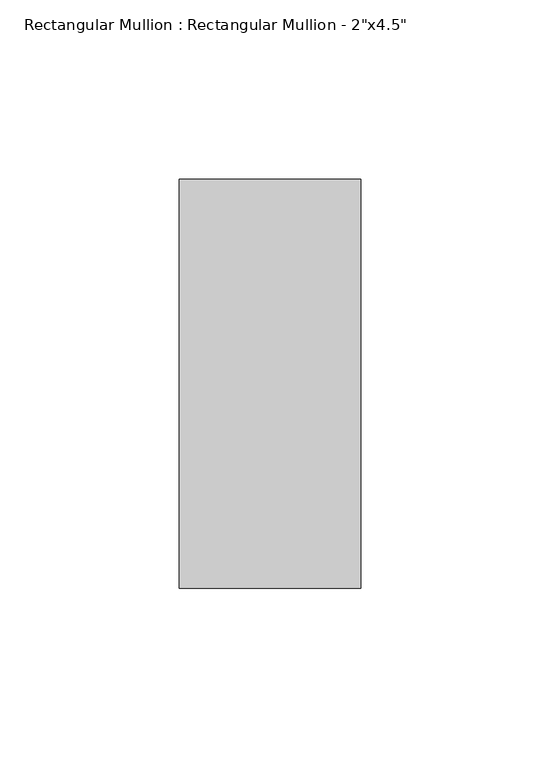
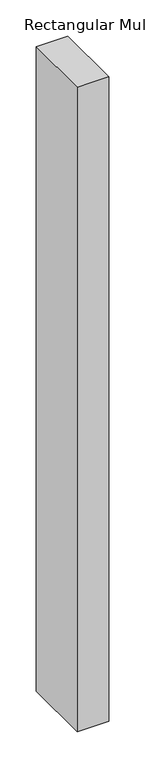
"""IFC4 building model written with IfcOpenShell, lengths in millimetres: member geometry."""

import ifcopenshell
import ifcopenshell.guid

model = None  # the IFC model being written
_history = None  # IfcOwnerHistory: only IFC2X3 demands one
_inside = {}  # id of a spatial element -> (the spatial element, [elements in it])
_under = {}  # id of a project, library or spatial element -> (it, [spatial elements below it])
_declared = {}  # id of a project -> (the project, [libraries it declares])
_typed = {}  # id of a type object -> (the type object, [elements of that type])
_made_of = {}  # id of a material, layer set ... -> (it, [elements and type objects made of it])


def new_model(schema):
    """Start an empty IFC model of exactly this schema.

    Asked for "IFC4X3", IfcOpenShell would pick the latest addendum, in which some entities
    have other attributes; the version numbers below select the first issue.
    IFC2X3 requires an IfcOwnerHistory on every rooted entity: one is made here for all.
    """
    global model, _history
    if schema == "IFC4X3":
        model = ifcopenshell.file(schema_version=(4, 3, 0, 0))
    else:
        model = ifcopenshell.file(schema=schema)
    _inside.clear()
    _under.clear()
    _declared.clear()
    _typed.clear()
    _made_of.clear()
    _history = None
    if model.schema == "IFC2X3":
        org = make("IfcOrganization", Name="unknown")
        user = make(
            "IfcPersonAndOrganization",
            ThePerson=make("IfcPerson", FamilyName="unknown"),
            TheOrganization=org,
        )
        app = make(
            "IfcApplication",
            ApplicationDeveloper=org,
            Version="unknown",
            ApplicationFullName="unknown",
            ApplicationIdentifier="unknown",
        )
        _history = make(
            "IfcOwnerHistory",
            OwningUser=user,
            OwningApplication=app,
            ChangeAction="ADDED",
            CreationDate=0,
        )
    return model


def make(cls, **values):
    """One entity of the class cls with the attributes given. An attribute that is None is left unset."""
    return model.create_entity(
        cls, **{name: value for name, value in values.items() if value is not None}
    )


def rooted(cls, **values):
    """An entity with a GlobalId (a new one), such as an element, a storey or a relation."""
    return make(cls, GlobalId=ifcopenshell.guid.new(), OwnerHistory=_history, **values)


def si_unit(unit_type, name, prefix=None):
    """IfcSIUnit, for example si_unit("LENGTHUNIT", "METRE", prefix="MILLI")."""
    return make("IfcSIUnit", UnitType=unit_type, Prefix=prefix, Name=name)


def assignment(units):
    """IfcUnitAssignment: the units of a project."""
    return None if units is None else make("IfcUnitAssignment", Units=units)


def point(xyz):
    """IfcCartesianPoint."""
    return None if xyz is None else make("IfcCartesianPoint", Coordinates=xyz)


def direction(xyz):
    """IfcDirection."""
    return None if xyz is None else make("IfcDirection", DirectionRatios=xyz)


def frame(location, z_axis=None, x_axis=None):
    """IfcAxis2Placement3D, a coordinate frame: its origin and axes. An axis left out is left unset."""
    return make(
        "IfcAxis2Placement3D",
        Location=point(location),
        Axis=direction(z_axis),
        RefDirection=direction(x_axis),
    )


def origin():
    """The frame at (0, 0, 0) with its axes left unset."""
    return frame((0.0, 0.0, 0.0))


def place(relative_to, where):
    """IfcLocalPlacement: puts the frame where relative to a parent placement (None: the world)."""
    return make(
        "IfcLocalPlacement", PlacementRelTo=relative_to, RelativePlacement=where
    )


def context(
    kind, dimensions, precision=None, world=None, true_north=None, identifier=None
):
    """IfcGeometricRepresentationContext, for example the 3D "Model" context."""
    return make(
        "IfcGeometricRepresentationContext",
        ContextIdentifier=identifier,
        ContextType=kind,
        CoordinateSpaceDimension=dimensions,
        Precision=precision,
        WorldCoordinateSystem=world,
        TrueNorth=true_north,
    )


def project(units=None, contexts=None):
    """IfcProject with its units and contexts."""
    return rooted(
        "IfcProject",
        Name="project",
        RepresentationContexts=contexts,
        UnitsInContext=assignment(units),
    )


def spatial(cls, under=None, at=None, **own):
    """A site, building, storey or space (cls), placed at a placement, below another one or the project."""
    s = rooted(cls, ObjectPlacement=at, **own)
    if under is not None:
        _under.setdefault(under.id(), (under, []))[1].append(s)
    return s


def polyline(points):
    """IfcPolyline through the points."""
    return make("IfcPolyline", Points=[point(p) for p in points])


def outline(outer, holes=None, kind="AREA"):
    """IfcArbitraryClosedProfileDef: a profile drawn as a closed curve; with holes, ...WithVoids."""
    if holes is None:
        return make("IfcArbitraryClosedProfileDef", ProfileType=kind, OuterCurve=outer)
    return make(
        "IfcArbitraryProfileDefWithVoids",
        ProfileType=kind,
        OuterCurve=outer,
        InnerCurves=holes,
    )


def extrude(swept, where, along, depth):
    """IfcExtrudedAreaSolid: the profile swept, set in the frame where, extruded along a direction by depth."""
    return make(
        "IfcExtrudedAreaSolid",
        SweptArea=swept,
        Position=where,
        ExtrudedDirection=direction(along),
        Depth=depth,
    )


def shape(context_of_items, identifier, shape_type, items):
    """IfcShapeRepresentation: the items that make up one representation, for example the "Body"."""
    return make(
        "IfcShapeRepresentation",
        ContextOfItems=context_of_items,
        RepresentationIdentifier=identifier,
        RepresentationType=shape_type,
        Items=items,
    )


def source(mapping_origin, context_of_items, identifier, shape_type, items):
    """IfcRepresentationMap: a shape defined once, which mapped items show again and again."""
    return make(
        "IfcRepresentationMap",
        MappingOrigin=mapping_origin,
        MappedRepresentation=shape(context_of_items, identifier, shape_type, items),
    )


def transform(
    local_origin,
    x_axis=None,
    y_axis=None,
    z_axis=None,
    scale=None,
    scale2=None,
    scale3=None,
    uniform=True,
):
    """IfcCartesianTransformationOperator3D, or its non-uniform kind. x_axis, y_axis, z_axis: its Axis1, 2, 3."""
    if uniform:
        return make(
            "IfcCartesianTransformationOperator3D",
            Axis1=direction(x_axis),
            Axis2=direction(y_axis),
            LocalOrigin=point(local_origin),
            Scale=scale,
            Axis3=direction(z_axis),
        )
    return make(
        "IfcCartesianTransformationOperator3DnonUniform",
        Axis1=direction(x_axis),
        Axis2=direction(y_axis),
        LocalOrigin=point(local_origin),
        Scale=scale,
        Axis3=direction(z_axis),
        Scale2=scale2,
        Scale3=scale3,
    )


def mapped(mapping_source, mapping_target):
    """IfcMappedItem: shows the shape of a source again, moved by a transform."""
    return make(
        "IfcMappedItem", MappingSource=mapping_source, MappingTarget=mapping_target
    )


def made_of(thing, what):
    """Note that an element or type object is made of a material, layer set ...; save() writes the relation."""
    if what is not None:
        _made_of.setdefault(what.id(), (what, []))[1].append(thing)
    return thing


def element(
    cls,
    number,
    at=None,
    inside=None,
    cuts=None,
    type_object=None,
    material=None,
    context=None,
    identifier="Body",
    shape_type=None,
    held_by="IfcProductDefinitionShape",
    body=None,
    shapes=None,
    **own,
):
    """One element of the class cls, such as IfcWall. Its Tag is "e" and its number.

    at: its placement. inside: the storey or other place that contains it. cuts: it is an
    opening in that element (IfcRelVoidsElement). A single representation is given by context,
    identifier, shape_type and body (its items); several are given by shapes. held_by: the class
    of the entity that holds the representations. save() writes the other relations.
    """
    e = rooted(cls, Tag="e%d" % number, ObjectPlacement=at, **own)
    if body is not None:
        shapes = [shape(context, identifier, shape_type, body)]
    if shapes is not None:
        e.Representation = make(held_by, Representations=shapes)
    if inside is not None:
        _inside.setdefault(inside.id(), (inside, []))[1].append(e)
    if cuts is not None:
        rooted(
            "IfcRelVoidsElement", RelatingBuildingElement=cuts, RelatedOpeningElement=e
        )
    if type_object is not None:
        _typed.setdefault(type_object.id(), (type_object, []))[1].append(e)
    return made_of(e, material)


def aggregate(whole, parts):
    """IfcRelAggregates: a whole, such as a stair, and the parts it consists of."""
    return rooted("IfcRelAggregates", RelatingObject=whole, RelatedObjects=parts)


def save(model, path):
    """Write the relations noted so far, then the file.

    IfcRelAggregates (storeys below a building ...), IfcRelContainedInSpatialStructure (elements
    in a storey), IfcRelDefinesByType, IfcRelAssociatesMaterial and IfcRelDeclares: one each for
    every whole, place, type object, material and project.
    """
    for whole, parts in _under.values():
        aggregate(whole, parts)
    for where, things in _inside.values():
        rooted(
            "IfcRelContainedInSpatialStructure",
            RelatedElements=things,
            RelatingStructure=where,
        )
    for kind, things in _typed.values():
        rooted("IfcRelDefinesByType", RelatedObjects=things, RelatingType=kind)
    for what, things in _made_of.values():
        rooted("IfcRelAssociatesMaterial", RelatedObjects=things, RelatingMaterial=what)
    for by, libraries in _declared.values():
        rooted("IfcRelDeclares", RelatingContext=by, RelatedDefinitions=libraries)
    model.write(path)


def member_c2106017(model_context):
    return source(origin(), model_context, "Body", "SweptSolid", [
        extrude(outline(polyline([(0.0, 57.15), (0.0, -57.15), (-50.8, -57.15), (-50.8, 57.15), (0.0, 57.15)])), frame((0.0, 0.0, -1092.2), z_axis=(0.0, 0.0, 1.0), x_axis=(1.0, 0.0, 0.0)), (0.0, 0.0, 1.0), 1092.2),
    ])


if __name__ == "__main__":
    model = new_model("IFC4")
    model_context = context("Model", 3, world=origin())
    ifc_project = project(units=[si_unit("LENGTHUNIT", "METRE", prefix="MILLI")], contexts=[model_context])
    site = spatial("IfcSite", under=ifc_project)
    building = spatial("IfcBuilding", under=site)
    placement = place(None, origin())
    member_shape = member_c2106017(model_context)
    element("IfcMember", 1, ObjectType="Rectangular Mullion : Rectangular Mullion - 2\"x4.5\"", at=placement, inside=building, context=model_context, shape_type="MappedRepresentation", body=[
        mapped(member_shape, transform((0.0, 0.0, 0.0), x_axis=(1.0, 0.0, 0.0), y_axis=(0.0, 1.0, 0.0), z_axis=(0.0, 0.0, 1.0))),
    ])
    save(model, "model.ifc")
